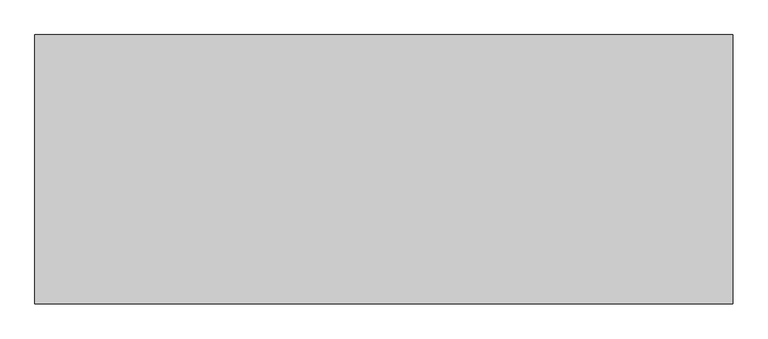
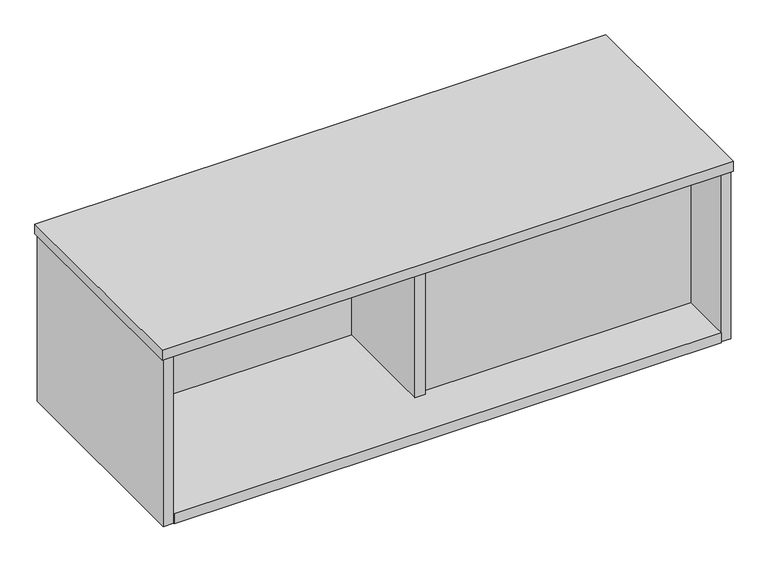
"""IFC4 building model written with IfcOpenShell, lengths in millimetres: furniture geometry."""

from ifc_helpers import new_model, si_unit, frame, origin, place, context, project, spatial, polyline, outline, extrude, source, transform, mapped, element, save


def furniture_71a63450(model_context):
    return source(origin(), model_context, "Body", "SweptSolid", [
        extrude(outline(polyline([(541.5279922, -116.4462961), (522.2239925, -116.4462961), (522.2239925, 116.4462961), (541.5279922, 116.4462961), (541.5279922, -116.4462961)])), frame((0.0, 0.0, 818.9188368), z_axis=(0.0, 0.0, 1.0), x_axis=(1.0, 0.0, 0.0)), (0.0, 0.0, 1.0), 310.6420184),
        extrude(outline(polyline([(1048.4103885, -107.2006961), (533.4, -107.2006961), (533.4, -87.8876428), (1048.4103885, -87.8876428), (1048.4103885, -107.2006961)])), frame((0.0, 0.0, 818.9188368), z_axis=(0.0, 0.0, 1.0), x_axis=(1.0, 0.0, 0.0)), (0.0, 0.0, 1.0), 310.6420184),
        extrude(outline(polyline([(15.3415997, 107.2006961), (529.2343931, 107.2006961), (529.2343931, 87.8966963), (15.3415997, 87.8966963), (15.3415997, 107.2006961)])), frame((0.0, 0.0, 818.9188368), z_axis=(0.0, 0.0, 1.0), x_axis=(1.0, 0.0, 0.0)), (0.0, 0.0, 1.0), 310.6420184),
        extrude(outline(polyline([(1041.3999879, -205.0922961), (22.3519991, -205.0922961), (22.3519991, 205.0922961), (1041.3999879, 205.0922961), (1041.3999879, -205.0922961)])), frame((0.0, 0.0, 799.6148552), z_axis=(0.0, 0.0, 1.0), x_axis=(1.0, 0.0, 0.0)), (0.0, 0.0, 1.0), 19.3039816),
        extrude(outline(polyline([(1060.7040058, -203.2), (1041.3999879, -203.2), (1041.3999879, 203.2), (1060.7040058, 203.2), (1060.7040058, -203.2)])), frame((0.0, 0.0, 799.6148552), z_axis=(0.0, 0.0, 1.0), x_axis=(1.0, 0.0, 0.0)), (0.0, 0.0, 1.0), 329.946),
        extrude(outline(polyline([(22.3519991, -203.2), (3.0479999, -203.2), (3.0479999, 203.2), (22.3519991, 203.2), (22.3519991, -203.2)])), frame((0.0, 0.0, 799.6148552), z_axis=(0.0, 0.0, 1.0), x_axis=(1.0, 0.0, 0.0)), (0.0, 0.0, 1.0), 329.946),
        extrude(outline(polyline([(1063.7520029, 205.0922961), (1063.7520029, -205.0922961), (0.0, -205.0922961), (0.0, 205.0922961), (1063.7520029, 205.0922961)])), frame((0.0, 0.0, 1129.5608552), z_axis=(0.0, 0.0, 1.0), x_axis=(1.0, 0.0, 0.0)), (0.0, 0.0, 1.0), 19.304),
    ])


if __name__ == "__main__":
    model = new_model("IFC4")
    model_context = context("Model", 3, world=origin())
    ifc_project = project(units=[si_unit("LENGTHUNIT", "METRE", prefix="MILLI")], contexts=[model_context])
    site = spatial("IfcSite", under=ifc_project)
    building = spatial("IfcBuilding", under=site)
    placement = place(None, origin())
    furniture_shape = furniture_71a63450(model_context)
    element("IfcFurniture", 1, at=placement, inside=building, context=model_context, shape_type="MappedRepresentation", body=[
        mapped(furniture_shape, transform((0.0, 0.0, 0.0), x_axis=(1.0, 0.0, 0.0), y_axis=(0.0, 1.0, 0.0), z_axis=(0.0, 0.0, 1.0))),
    ])
    save(model, "model.ifc")
